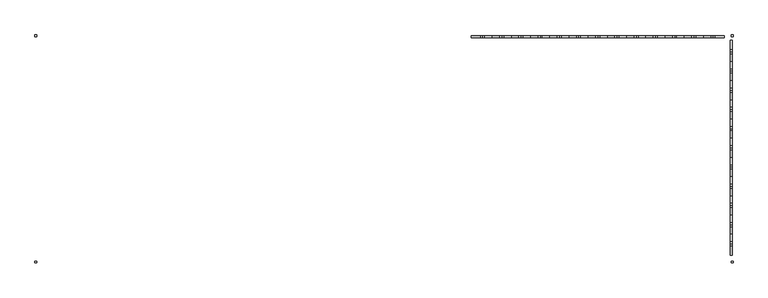
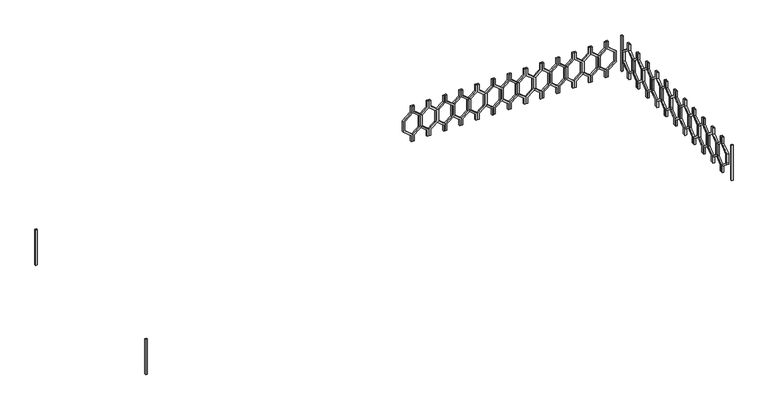
"""IFC4 building model written with IfcOpenShell, lengths in millimetres: railing geometry."""

import ifcopenshell
import ifcopenshell.guid

model = None  # the IFC model being written
_history = None  # IfcOwnerHistory: only IFC2X3 demands one
_inside = {}  # id of a spatial element -> (the spatial element, [elements in it])
_under = {}  # id of a project, library or spatial element -> (it, [spatial elements below it])
_declared = {}  # id of a project -> (the project, [libraries it declares])
_typed = {}  # id of a type object -> (the type object, [elements of that type])
_made_of = {}  # id of a material, layer set ... -> (it, [elements and type objects made of it])


def new_model(schema):
    """Start an empty IFC model of exactly this schema.

    Asked for "IFC4X3", IfcOpenShell would pick the latest addendum, in which some entities
    have other attributes; the version numbers below select the first issue.
    IFC2X3 requires an IfcOwnerHistory on every rooted entity: one is made here for all.
    """
    global model, _history
    if schema == "IFC4X3":
        model = ifcopenshell.file(schema_version=(4, 3, 0, 0))
    else:
        model = ifcopenshell.file(schema=schema)
    _inside.clear()
    _under.clear()
    _declared.clear()
    _typed.clear()
    _made_of.clear()
    _history = None
    if model.schema == "IFC2X3":
        org = make("IfcOrganization", Name="unknown")
        user = make(
            "IfcPersonAndOrganization",
            ThePerson=make("IfcPerson", FamilyName="unknown"),
            TheOrganization=org,
        )
        app = make(
            "IfcApplication",
            ApplicationDeveloper=org,
            Version="unknown",
            ApplicationFullName="unknown",
            ApplicationIdentifier="unknown",
        )
        _history = make(
            "IfcOwnerHistory",
            OwningUser=user,
            OwningApplication=app,
            ChangeAction="ADDED",
            CreationDate=0,
        )
    return model


def make(cls, **values):
    """One entity of the class cls with the attributes given. An attribute that is None is left unset."""
    return model.create_entity(
        cls, **{name: value for name, value in values.items() if value is not None}
    )


def rooted(cls, **values):
    """An entity with a GlobalId (a new one), such as an element, a storey or a relation."""
    return make(cls, GlobalId=ifcopenshell.guid.new(), OwnerHistory=_history, **values)


def si_unit(unit_type, name, prefix=None):
    """IfcSIUnit, for example si_unit("LENGTHUNIT", "METRE", prefix="MILLI")."""
    return make("IfcSIUnit", UnitType=unit_type, Prefix=prefix, Name=name)


def assignment(units):
    """IfcUnitAssignment: the units of a project."""
    return None if units is None else make("IfcUnitAssignment", Units=units)


def point(xyz):
    """IfcCartesianPoint."""
    return None if xyz is None else make("IfcCartesianPoint", Coordinates=xyz)


def direction(xyz):
    """IfcDirection."""
    return None if xyz is None else make("IfcDirection", DirectionRatios=xyz)


def frame(location, z_axis=None, x_axis=None):
    """IfcAxis2Placement3D, a coordinate frame: its origin and axes. An axis left out is left unset."""
    return make(
        "IfcAxis2Placement3D",
        Location=point(location),
        Axis=direction(z_axis),
        RefDirection=direction(x_axis),
    )


def origin():
    """The frame at (0, 0, 0) with its axes left unset."""
    return frame((0.0, 0.0, 0.0))


def place(relative_to, where):
    """IfcLocalPlacement: puts the frame where relative to a parent placement (None: the world)."""
    return make(
        "IfcLocalPlacement", PlacementRelTo=relative_to, RelativePlacement=where
    )


def context(
    kind, dimensions, precision=None, world=None, true_north=None, identifier=None
):
    """IfcGeometricRepresentationContext, for example the 3D "Model" context."""
    return make(
        "IfcGeometricRepresentationContext",
        ContextIdentifier=identifier,
        ContextType=kind,
        CoordinateSpaceDimension=dimensions,
        Precision=precision,
        WorldCoordinateSystem=world,
        TrueNorth=true_north,
    )


def project(units=None, contexts=None):
    """IfcProject with its units and contexts."""
    return rooted(
        "IfcProject",
        Name="project",
        RepresentationContexts=contexts,
        UnitsInContext=assignment(units),
    )


def spatial(cls, under=None, at=None, **own):
    """A site, building, storey or space (cls), placed at a placement, below another one or the project."""
    s = rooted(cls, ObjectPlacement=at, **own)
    if under is not None:
        _under.setdefault(under.id(), (under, []))[1].append(s)
    return s


def polyline(points):
    """IfcPolyline through the points."""
    return make("IfcPolyline", Points=[point(p) for p in points])


def outline(outer, holes=None, kind="AREA"):
    """IfcArbitraryClosedProfileDef: a profile drawn as a closed curve; with holes, ...WithVoids."""
    if holes is None:
        return make("IfcArbitraryClosedProfileDef", ProfileType=kind, OuterCurve=outer)
    return make(
        "IfcArbitraryProfileDefWithVoids",
        ProfileType=kind,
        OuterCurve=outer,
        InnerCurves=holes,
    )


def extrude(swept, where, along, depth):
    """IfcExtrudedAreaSolid: the profile swept, set in the frame where, extruded along a direction by depth."""
    return make(
        "IfcExtrudedAreaSolid",
        SweptArea=swept,
        Position=where,
        ExtrudedDirection=direction(along),
        Depth=depth,
    )


def shape(context_of_items, identifier, shape_type, items):
    """IfcShapeRepresentation: the items that make up one representation, for example the "Body"."""
    return make(
        "IfcShapeRepresentation",
        ContextOfItems=context_of_items,
        RepresentationIdentifier=identifier,
        RepresentationType=shape_type,
        Items=items,
    )


def source(mapping_origin, context_of_items, identifier, shape_type, items):
    """IfcRepresentationMap: a shape defined once, which mapped items show again and again."""
    return make(
        "IfcRepresentationMap",
        MappingOrigin=mapping_origin,
        MappedRepresentation=shape(context_of_items, identifier, shape_type, items),
    )


def transform(
    local_origin,
    x_axis=None,
    y_axis=None,
    z_axis=None,
    scale=None,
    scale2=None,
    scale3=None,
    uniform=True,
):
    """IfcCartesianTransformationOperator3D, or its non-uniform kind. x_axis, y_axis, z_axis: its Axis1, 2, 3."""
    if uniform:
        return make(
            "IfcCartesianTransformationOperator3D",
            Axis1=direction(x_axis),
            Axis2=direction(y_axis),
            LocalOrigin=point(local_origin),
            Scale=scale,
            Axis3=direction(z_axis),
        )
    return make(
        "IfcCartesianTransformationOperator3DnonUniform",
        Axis1=direction(x_axis),
        Axis2=direction(y_axis),
        LocalOrigin=point(local_origin),
        Scale=scale,
        Axis3=direction(z_axis),
        Scale2=scale2,
        Scale3=scale3,
    )


def mapped(mapping_source, mapping_target):
    """IfcMappedItem: shows the shape of a source again, moved by a transform."""
    return make(
        "IfcMappedItem", MappingSource=mapping_source, MappingTarget=mapping_target
    )


def made_of(thing, what):
    """Note that an element or type object is made of a material, layer set ...; save() writes the relation."""
    if what is not None:
        _made_of.setdefault(what.id(), (what, []))[1].append(thing)
    return thing


def element(
    cls,
    number,
    at=None,
    inside=None,
    cuts=None,
    type_object=None,
    material=None,
    context=None,
    identifier="Body",
    shape_type=None,
    held_by="IfcProductDefinitionShape",
    body=None,
    shapes=None,
    **own,
):
    """One element of the class cls, such as IfcWall. Its Tag is "e" and its number.

    at: its placement. inside: the storey or other place that contains it. cuts: it is an
    opening in that element (IfcRelVoidsElement). A single representation is given by context,
    identifier, shape_type and body (its items); several are given by shapes. held_by: the class
    of the entity that holds the representations. save() writes the other relations.
    """
    e = rooted(cls, Tag="e%d" % number, ObjectPlacement=at, **own)
    if body is not None:
        shapes = [shape(context, identifier, shape_type, body)]
    if shapes is not None:
        e.Representation = make(held_by, Representations=shapes)
    if inside is not None:
        _inside.setdefault(inside.id(), (inside, []))[1].append(e)
    if cuts is not None:
        rooted(
            "IfcRelVoidsElement", RelatingBuildingElement=cuts, RelatedOpeningElement=e
        )
    if type_object is not None:
        _typed.setdefault(type_object.id(), (type_object, []))[1].append(e)
    return made_of(e, material)


def aggregate(whole, parts):
    """IfcRelAggregates: a whole, such as a stair, and the parts it consists of."""
    return rooted("IfcRelAggregates", RelatingObject=whole, RelatedObjects=parts)


def save(model, path):
    """Write the relations noted so far, then the file.

    IfcRelAggregates (storeys below a building ...), IfcRelContainedInSpatialStructure (elements
    in a storey), IfcRelDefinesByType, IfcRelAssociatesMaterial and IfcRelDeclares: one each for
    every whole, place, type object, material and project.
    """
    for whole, parts in _under.values():
        aggregate(whole, parts)
    for where, things in _inside.values():
        rooted(
            "IfcRelContainedInSpatialStructure",
            RelatedElements=things,
            RelatingStructure=where,
        )
    for kind, things in _typed.values():
        rooted("IfcRelDefinesByType", RelatedObjects=things, RelatingType=kind)
    for what, things in _made_of.values():
        rooted("IfcRelAssociatesMaterial", RelatedObjects=things, RelatingMaterial=what)
    for by, libraries in _declared.values():
        rooted("IfcRelDeclares", RelatingContext=by, RelatedDefinitions=libraries)
    model.write(path)


def railing_3de77abf(model_context):
    return source(origin(), model_context, "Body", "SweptSolid", [
        extrude(outline(polyline([(28660.0, -43314.9887159), (28660.0, -43334.9887159), (28580.0, -43334.9887159), (28500.0, -43433.9836653), (28360.0, -43433.9836653), (28280.0, -43334.9887159), (28200.0, -43334.9887159), (28200.0, -43314.9887159), (28289.551845, -43314.9887159), (28369.551845, -43413.9836653), (28490.448155, -43413.9836653), (28570.448155, -43314.9887159), (28660.0, -43314.9887159)])), frame((0.0, 3248.1079487, 0.0), z_axis=(0.0, 1.0, 0.0), x_axis=(0.0, 0.0, 1.0)), (0.0, 0.0, 1.0), 20.0),
        extrude(outline(polyline([(28660.0, -43314.9887159), (28570.448155, -43314.9887159), (28490.448155, -43215.9937665), (28369.551845, -43215.9937665), (28289.551845, -43314.9887159), (28200.0, -43314.9887159), (28200.0, -43294.9887159), (28280.0, -43294.9887159), (28360.0, -43195.9937665), (28500.0, -43195.9937665), (28580.0, -43294.9887159), (28660.0, -43294.9887159), (28660.0, -43314.9887159)])), frame((0.0, 3248.1079487, 0.0), z_axis=(0.0, 1.0, 0.0), x_axis=(0.0, 0.0, 1.0)), (0.0, 0.0, 1.0), 20.0),
        extrude(outline(polyline([(28660.0, -43114.9887159), (28660.0, -43134.9887159), (28580.0, -43134.9887159), (28500.0, -43233.9836653), (28360.0, -43233.9836653), (28280.0, -43134.9887159), (28200.0, -43134.9887159), (28200.0, -43114.9887159), (28289.551845, -43114.9887159), (28369.551845, -43213.9836653), (28490.448155, -43213.9836653), (28570.448155, -43114.9887159), (28660.0, -43114.9887159)])), frame((0.0, 3248.1079487, 0.0), z_axis=(0.0, 1.0, 0.0), x_axis=(0.0, 0.0, 1.0)), (0.0, 0.0, 1.0), 20.0),
        extrude(outline(polyline([(28660.0, -43114.9887159), (28570.448155, -43114.9887159), (28490.448155, -43015.9937665), (28369.551845, -43015.9937665), (28289.551845, -43114.9887159), (28200.0, -43114.9887159), (28200.0, -43094.9887159), (28280.0, -43094.9887159), (28360.0, -42995.9937665), (28500.0, -42995.9937665), (28580.0, -43094.9887159), (28660.0, -43094.9887159), (28660.0, -43114.9887159)])), frame((0.0, 3248.1079487, 0.0), z_axis=(0.0, 1.0, 0.0), x_axis=(0.0, 0.0, 1.0)), (0.0, 0.0, 1.0), 20.0),
        extrude(outline(polyline([(28660.0, -42914.9887159), (28660.0, -42934.9887159), (28580.0, -42934.9887159), (28500.0, -43033.9836653), (28360.0, -43033.9836653), (28280.0, -42934.9887159), (28200.0, -42934.9887159), (28200.0, -42914.9887159), (28289.551845, -42914.9887159), (28369.551845, -43013.9836653), (28490.448155, -43013.9836653), (28570.448155, -42914.9887159), (28660.0, -42914.9887159)])), frame((0.0, 3248.1079487, 0.0), z_axis=(0.0, 1.0, 0.0), x_axis=(0.0, 0.0, 1.0)), (0.0, 0.0, 1.0), 20.0),
        extrude(outline(polyline([(28660.0, -42914.9887159), (28570.448155, -42914.9887159), (28490.448155, -42815.9937665), (28369.551845, -42815.9937665), (28289.551845, -42914.9887159), (28200.0, -42914.9887159), (28200.0, -42894.9887159), (28280.0, -42894.9887159), (28360.0, -42795.9937665), (28500.0, -42795.9937665), (28580.0, -42894.9887159), (28660.0, -42894.9887159), (28660.0, -42914.9887159)])), frame((0.0, 3248.1079487, 0.0), z_axis=(0.0, 1.0, 0.0), x_axis=(0.0, 0.0, 1.0)), (0.0, 0.0, 1.0), 20.0),
        extrude(outline(polyline([(28660.0, -42714.9887159), (28660.0, -42734.9887159), (28580.0, -42734.9887159), (28500.0, -42833.9836653), (28360.0, -42833.9836653), (28280.0, -42734.9887159), (28200.0, -42734.9887159), (28200.0, -42714.9887159), (28289.551845, -42714.9887159), (28369.551845, -42813.9836653), (28490.448155, -42813.9836653), (28570.448155, -42714.9887159), (28660.0, -42714.9887159)])), frame((0.0, 3248.1079487, 0.0), z_axis=(0.0, 1.0, 0.0), x_axis=(0.0, 0.0, 1.0)), (0.0, 0.0, 1.0), 20.0),
        extrude(outline(polyline([(28660.0, -42714.9887159), (28570.448155, -42714.9887159), (28490.448155, -42615.9937665), (28369.551845, -42615.9937665), (28289.551845, -42714.9887159), (28200.0, -42714.9887159), (28200.0, -42694.9887159), (28280.0, -42694.9887159), (28360.0, -42595.9937665), (28500.0, -42595.9937665), (28580.0, -42694.9887159), (28660.0, -42694.9887159), (28660.0, -42714.9887159)])), frame((0.0, 3248.1079487, 0.0), z_axis=(0.0, 1.0, 0.0), x_axis=(0.0, 0.0, 1.0)), (0.0, 0.0, 1.0), 20.0),
        extrude(outline(polyline([(28660.0, -42514.9887159), (28660.0, -42534.9887159), (28580.0, -42534.9887159), (28500.0, -42633.9836653), (28360.0, -42633.9836653), (28280.0, -42534.9887159), (28200.0, -42534.9887159), (28200.0, -42514.9887159), (28289.551845, -42514.9887159), (28369.551845, -42613.9836653), (28490.448155, -42613.9836653), (28570.448155, -42514.9887159), (28660.0, -42514.9887159)])), frame((0.0, 3248.1079487, 0.0), z_axis=(0.0, 1.0, 0.0), x_axis=(0.0, 0.0, 1.0)), (0.0, 0.0, 1.0), 20.0),
        extrude(outline(polyline([(28660.0, -42514.9887159), (28570.448155, -42514.9887159), (28490.448155, -42415.9937665), (28369.551845, -42415.9937665), (28289.551845, -42514.9887159), (28200.0, -42514.9887159), (28200.0, -42494.9887159), (28280.0, -42494.9887159), (28360.0, -42395.9937665), (28500.0, -42395.9937665), (28580.0, -42494.9887159), (28660.0, -42494.9887159), (28660.0, -42514.9887159)])), frame((0.0, 3248.1079487, 0.0), z_axis=(0.0, 1.0, 0.0), x_axis=(0.0, 0.0, 1.0)), (0.0, 0.0, 1.0), 20.0),
        extrude(outline(polyline([(28660.0, -42314.9887159), (28660.0, -42334.9887159), (28580.0, -42334.9887159), (28500.0, -42433.9836653), (28360.0, -42433.9836653), (28280.0, -42334.9887159), (28200.0, -42334.9887159), (28200.0, -42314.9887159), (28289.551845, -42314.9887159), (28369.551845, -42413.9836653), (28490.448155, -42413.9836653), (28570.448155, -42314.9887159), (28660.0, -42314.9887159)])), frame((0.0, 3248.1079487, 0.0), z_axis=(0.0, 1.0, 0.0), x_axis=(0.0, 0.0, 1.0)), (0.0, 0.0, 1.0), 20.0),
        extrude(outline(polyline([(28660.0, -42314.9887159), (28570.448155, -42314.9887159), (28490.448155, -42215.9937665), (28369.551845, -42215.9937665), (28289.551845, -42314.9887159), (28200.0, -42314.9887159), (28200.0, -42294.9887159), (28280.0, -42294.9887159), (28360.0, -42195.9937665), (28500.0, -42195.9937665), (28580.0, -42294.9887159), (28660.0, -42294.9887159), (28660.0, -42314.9887159)])), frame((0.0, 3248.1079487, 0.0), z_axis=(0.0, 1.0, 0.0), x_axis=(0.0, 0.0, 1.0)), (0.0, 0.0, 1.0), 20.0),
        extrude(outline(polyline([(28660.0, -42114.9887159), (28660.0, -42134.9887159), (28580.0, -42134.9887159), (28500.0, -42233.9836653), (28360.0, -42233.9836653), (28280.0, -42134.9887159), (28200.0, -42134.9887159), (28200.0, -42114.9887159), (28289.551845, -42114.9887159), (28369.551845, -42213.9836653), (28490.448155, -42213.9836653), (28570.448155, -42114.9887159), (28660.0, -42114.9887159)])), frame((0.0, 3248.1079487, 0.0), z_axis=(0.0, 1.0, 0.0), x_axis=(0.0, 0.0, 1.0)), (0.0, 0.0, 1.0), 20.0),
        extrude(outline(polyline([(28660.0, -42114.9887159), (28570.448155, -42114.9887159), (28490.448155, -42015.9937665), (28369.551845, -42015.9937665), (28289.551845, -42114.9887159), (28200.0, -42114.9887159), (28200.0, -42094.9887159), (28280.0, -42094.9887159), (28360.0, -41995.9937665), (28500.0, -41995.9937665), (28580.0, -42094.9887159), (28660.0, -42094.9887159), (28660.0, -42114.9887159)])), frame((0.0, 3248.1079487, 0.0), z_axis=(0.0, 1.0, 0.0), x_axis=(0.0, 0.0, 1.0)), (0.0, 0.0, 1.0), 20.0),
        extrude(outline(polyline([(28660.0, -41914.9887159), (28660.0, -41934.9887159), (28580.0, -41934.9887159), (28500.0, -42033.9836653), (28360.0, -42033.9836653), (28280.0, -41934.9887159), (28200.0, -41934.9887159), (28200.0, -41914.9887159), (28289.551845, -41914.9887159), (28369.551845, -42013.9836653), (28490.448155, -42013.9836653), (28570.448155, -41914.9887159), (28660.0, -41914.9887159)])), frame((0.0, 3248.1079487, 0.0), z_axis=(0.0, 1.0, 0.0), x_axis=(0.0, 0.0, 1.0)), (0.0, 0.0, 1.0), 20.0),
        extrude(outline(polyline([(28660.0, -41914.9887159), (28570.448155, -41914.9887159), (28490.448155, -41815.9937665), (28369.551845, -41815.9937665), (28289.551845, -41914.9887159), (28200.0, -41914.9887159), (28200.0, -41894.9887159), (28280.0, -41894.9887159), (28360.0, -41795.9937665), (28500.0, -41795.9937665), (28580.0, -41894.9887159), (28660.0, -41894.9887159), (28660.0, -41914.9887159)])), frame((0.0, 3248.1079487, 0.0), z_axis=(0.0, 1.0, 0.0), x_axis=(0.0, 0.0, 1.0)), (0.0, 0.0, 1.0), 20.0),
        extrude(outline(polyline([(28660.0, -41714.9887159), (28660.0, -41734.9887159), (28580.0, -41734.9887159), (28500.0, -41833.9836653), (28360.0, -41833.9836653), (28280.0, -41734.9887159), (28200.0, -41734.9887159), (28200.0, -41714.9887159), (28289.551845, -41714.9887159), (28369.551845, -41813.9836653), (28490.448155, -41813.9836653), (28570.448155, -41714.9887159), (28660.0, -41714.9887159)])), frame((0.0, 3248.1079487, 0.0), z_axis=(0.0, 1.0, 0.0), x_axis=(0.0, 0.0, 1.0)), (0.0, 0.0, 1.0), 20.0),
        extrude(outline(polyline([(28660.0, -41714.9887159), (28570.448155, -41714.9887159), (28490.448155, -41615.9937665), (28369.551845, -41615.9937665), (28289.551845, -41714.9887159), (28200.0, -41714.9887159), (28200.0, -41694.9887159), (28280.0, -41694.9887159), (28360.0, -41595.9937665), (28500.0, -41595.9937665), (28580.0, -41694.9887159), (28660.0, -41694.9887159), (28660.0, -41714.9887159)])), frame((0.0, 3248.1079487, 0.0), z_axis=(0.0, 1.0, 0.0), x_axis=(0.0, 0.0, 1.0)), (0.0, 0.0, 1.0), 20.0),
        extrude(outline(polyline([(28660.0, -41514.9887159), (28660.0, -41534.9887159), (28580.0, -41534.9887159), (28500.0, -41633.9836653), (28360.0, -41633.9836653), (28280.0, -41534.9887159), (28200.0, -41534.9887159), (28200.0, -41514.9887159), (28289.551845, -41514.9887159), (28369.551845, -41613.9836653), (28490.448155, -41613.9836653), (28570.448155, -41514.9887159), (28660.0, -41514.9887159)])), frame((0.0, 3248.1079487, 0.0), z_axis=(0.0, 1.0, 0.0), x_axis=(0.0, 0.0, 1.0)), (0.0, 0.0, 1.0), 20.0),
        extrude(outline(polyline([(28660.0, -41514.9887159), (28570.448155, -41514.9887159), (28490.448155, -41415.9937665), (28369.551845, -41415.9937665), (28289.551845, -41514.9887159), (28200.0, -41514.9887159), (28200.0, -41494.9887159), (28280.0, -41494.9887159), (28360.0, -41395.9937665), (28500.0, -41395.9937665), (28580.0, -41494.9887159), (28660.0, -41494.9887159), (28660.0, -41514.9887159)])), frame((0.0, 3248.1079487, 0.0), z_axis=(0.0, 1.0, 0.0), x_axis=(0.0, 0.0, 1.0)), (0.0, 0.0, 1.0), 20.0),
        extrude(outline(polyline([(28660.0, -41314.9887159), (28660.0, -41334.9887159), (28580.0, -41334.9887159), (28500.0, -41433.9836653), (28360.0, -41433.9836653), (28280.0, -41334.9887159), (28200.0, -41334.9887159), (28200.0, -41314.9887159), (28289.551845, -41314.9887159), (28369.551845, -41413.9836653), (28490.448155, -41413.9836653), (28570.448155, -41314.9887159), (28660.0, -41314.9887159)])), frame((0.0, 3248.1079487, 0.0), z_axis=(0.0, 1.0, 0.0), x_axis=(0.0, 0.0, 1.0)), (0.0, 0.0, 1.0), 20.0),
        extrude(outline(polyline([(28660.0, -41314.9887159), (28570.448155, -41314.9887159), (28490.448155, -41215.9937665), (28369.551845, -41215.9937665), (28289.551845, -41314.9887159), (28200.0, -41314.9887159), (28200.0, -41294.9887159), (28280.0, -41294.9887159), (28360.0, -41195.9937665), (28500.0, -41195.9937665), (28580.0, -41294.9887159), (28660.0, -41294.9887159), (28660.0, -41314.9887159)])), frame((0.0, 3248.1079487, 0.0), z_axis=(0.0, 1.0, 0.0), x_axis=(0.0, 0.0, 1.0)), (0.0, 0.0, 1.0), 20.0),
        extrude(outline(polyline([(28660.0, -41114.9887159), (28660.0, -41134.9887159), (28580.0, -41134.9887159), (28500.0, -41233.9836653), (28360.0, -41233.9836653), (28280.0, -41134.9887159), (28200.0, -41134.9887159), (28200.0, -41114.9887159), (28289.551845, -41114.9887159), (28369.551845, -41213.9836653), (28490.448155, -41213.9836653), (28570.448155, -41114.9887159), (28660.0, -41114.9887159)])), frame((0.0, 3248.1079487, 0.0), z_axis=(0.0, 1.0, 0.0), x_axis=(0.0, 0.0, 1.0)), (0.0, 0.0, 1.0), 20.0),
        extrude(outline(polyline([(28660.0, -41114.9887159), (28570.448155, -41114.9887159), (28490.448155, -41015.9937665), (28369.551845, -41015.9937665), (28289.551845, -41114.9887159), (28200.0, -41114.9887159), (28200.0, -41094.9887159), (28280.0, -41094.9887159), (28360.0, -40995.9937665), (28500.0, -40995.9937665), (28580.0, -41094.9887159), (28660.0, -41094.9887159), (28660.0, -41114.9887159)])), frame((0.0, 3248.1079487, 0.0), z_axis=(0.0, 1.0, 0.0), x_axis=(0.0, 0.0, 1.0)), (0.0, 0.0, 1.0), 20.0),
        extrude(outline(polyline([(28660.0, -40914.9887159), (28660.0, -40934.9887159), (28580.0, -40934.9887159), (28500.0, -41033.9836653), (28360.0, -41033.9836653), (28280.0, -40934.9887159), (28200.0, -40934.9887159), (28200.0, -40914.9887159), (28289.551845, -40914.9887159), (28369.551845, -41013.9836653), (28490.448155, -41013.9836653), (28570.448155, -40914.9887159), (28660.0, -40914.9887159)])), frame((0.0, 3248.1079487, 0.0), z_axis=(0.0, 1.0, 0.0), x_axis=(0.0, 0.0, 1.0)), (0.0, 0.0, 1.0), 20.0),
        extrude(outline(polyline([(28660.0, -40914.9887159), (28570.448155, -40914.9887159), (28490.448155, -40815.9937665), (28369.551845, -40815.9937665), (28289.551845, -40914.9887159), (28200.0, -40914.9887159), (28200.0, -40894.9887159), (28280.0, -40894.9887159), (28360.0, -40795.9937665), (28500.0, -40795.9937665), (28580.0, -40894.9887159), (28660.0, -40894.9887159), (28660.0, -40914.9887159)])), frame((0.0, 3248.1079487, 0.0), z_axis=(0.0, 1.0, 0.0), x_axis=(0.0, 0.0, 1.0)), (0.0, 0.0, 1.0), 20.0),
        extrude(outline(polyline([(3103.1079487, 28660.0), (3123.1079487, 28660.0), (3123.1079487, 28580.0), (3222.102898, 28500.0), (3222.102898, 28360.0), (3123.1079487, 28280.0), (3123.1079487, 28200.0), (3103.1079487, 28200.0), (3103.1079487, 28289.551845), (3202.102898, 28369.551845), (3202.102898, 28490.448155), (3103.1079487, 28570.448155), (3103.1079487, 28660.0)])), frame((-40734.9887159, 0.0, 0.0), z_axis=(1.0, 0.0, 0.0), x_axis=(0.0, 1.0, 0.0)), (0.0, 0.0, 1.0), 20.0),
        extrude(outline(polyline([(3103.1079487, 28660.0), (3103.1079487, 28570.448155), (3004.1129993, 28490.448155), (3004.1129993, 28369.551845), (3103.1079487, 28289.551845), (3103.1079487, 28200.0), (3083.1079487, 28200.0), (3083.1079487, 28280.0), (2984.1129993, 28360.0), (2984.1129993, 28500.0), (3083.1079487, 28580.0), (3083.1079487, 28660.0), (3103.1079487, 28660.0)])), frame((-40734.9887159, 0.0, 0.0), z_axis=(1.0, 0.0, 0.0), x_axis=(0.0, 1.0, 0.0)), (0.0, 0.0, 1.0), 20.0),
        extrude(outline(polyline([(2903.1079487, 28660.0), (2923.1079487, 28660.0), (2923.1079487, 28580.0), (3022.102898, 28500.0), (3022.102898, 28360.0), (2923.1079487, 28280.0), (2923.1079487, 28200.0), (2903.1079487, 28200.0), (2903.1079487, 28289.551845), (3002.102898, 28369.551845), (3002.102898, 28490.448155), (2903.1079487, 28570.448155), (2903.1079487, 28660.0)])), frame((-40734.9887159, 0.0, 0.0), z_axis=(1.0, 0.0, 0.0), x_axis=(0.0, 1.0, 0.0)), (0.0, 0.0, 1.0), 20.0),
        extrude(outline(polyline([(2903.1079487, 28660.0), (2903.1079487, 28570.448155), (2804.1129993, 28490.448155), (2804.1129993, 28369.551845), (2903.1079487, 28289.551845), (2903.1079487, 28200.0), (2883.1079487, 28200.0), (2883.1079487, 28280.0), (2784.1129993, 28360.0), (2784.1129993, 28500.0), (2883.1079487, 28580.0), (2883.1079487, 28660.0), (2903.1079487, 28660.0)])), frame((-40734.9887159, 0.0, 0.0), z_axis=(1.0, 0.0, 0.0), x_axis=(0.0, 1.0, 0.0)), (0.0, 0.0, 1.0), 20.0),
        extrude(outline(polyline([(2703.1079487, 28660.0), (2723.1079487, 28660.0), (2723.1079487, 28580.0), (2822.102898, 28500.0), (2822.102898, 28360.0), (2723.1079487, 28280.0), (2723.1079487, 28200.0), (2703.1079487, 28200.0), (2703.1079487, 28289.551845), (2802.102898, 28369.551845), (2802.102898, 28490.448155), (2703.1079487, 28570.448155), (2703.1079487, 28660.0)])), frame((-40734.9887159, 0.0, 0.0), z_axis=(1.0, 0.0, 0.0), x_axis=(0.0, 1.0, 0.0)), (0.0, 0.0, 1.0), 20.0),
        extrude(outline(polyline([(2703.1079487, 28660.0), (2703.1079487, 28570.448155), (2604.1129993, 28490.448155), (2604.1129993, 28369.551845), (2703.1079487, 28289.551845), (2703.1079487, 28200.0), (2683.1079487, 28200.0), (2683.1079487, 28280.0), (2584.1129993, 28360.0), (2584.1129993, 28500.0), (2683.1079487, 28580.0), (2683.1079487, 28660.0), (2703.1079487, 28660.0)])), frame((-40734.9887159, 0.0, 0.0), z_axis=(1.0, 0.0, 0.0), x_axis=(0.0, 1.0, 0.0)), (0.0, 0.0, 1.0), 20.0),
        extrude(outline(polyline([(2503.1079487, 28660.0), (2523.1079487, 28660.0), (2523.1079487, 28580.0), (2622.102898, 28500.0), (2622.102898, 28360.0), (2523.1079487, 28280.0), (2523.1079487, 28200.0), (2503.1079487, 28200.0), (2503.1079487, 28289.551845), (2602.102898, 28369.551845), (2602.102898, 28490.448155), (2503.1079487, 28570.448155), (2503.1079487, 28660.0)])), frame((-40734.9887159, 0.0, 0.0), z_axis=(1.0, 0.0, 0.0), x_axis=(0.0, 1.0, 0.0)), (0.0, 0.0, 1.0), 20.0),
        extrude(outline(polyline([(2503.1079487, 28660.0), (2503.1079487, 28570.448155), (2404.1129993, 28490.448155), (2404.1129993, 28369.551845), (2503.1079487, 28289.551845), (2503.1079487, 28200.0), (2483.1079487, 28200.0), (2483.1079487, 28280.0), (2384.1129993, 28360.0), (2384.1129993, 28500.0), (2483.1079487, 28580.0), (2483.1079487, 28660.0), (2503.1079487, 28660.0)])), frame((-40734.9887159, 0.0, 0.0), z_axis=(1.0, 0.0, 0.0), x_axis=(0.0, 1.0, 0.0)), (0.0, 0.0, 1.0), 20.0),
        extrude(outline(polyline([(2303.1079487, 28660.0), (2323.1079487, 28660.0), (2323.1079487, 28580.0), (2422.102898, 28500.0), (2422.102898, 28360.0), (2323.1079487, 28280.0), (2323.1079487, 28200.0), (2303.1079487, 28200.0), (2303.1079487, 28289.551845), (2402.102898, 28369.551845), (2402.102898, 28490.448155), (2303.1079487, 28570.448155), (2303.1079487, 28660.0)])), frame((-40734.9887159, 0.0, 0.0), z_axis=(1.0, 0.0, 0.0), x_axis=(0.0, 1.0, 0.0)), (0.0, 0.0, 1.0), 20.0),
        extrude(outline(polyline([(2303.1079487, 28660.0), (2303.1079487, 28570.448155), (2204.1129993, 28490.448155), (2204.1129993, 28369.551845), (2303.1079487, 28289.551845), (2303.1079487, 28200.0), (2283.1079487, 28200.0), (2283.1079487, 28280.0), (2184.1129993, 28360.0), (2184.1129993, 28500.0), (2283.1079487, 28580.0), (2283.1079487, 28660.0), (2303.1079487, 28660.0)])), frame((-40734.9887159, 0.0, 0.0), z_axis=(1.0, 0.0, 0.0), x_axis=(0.0, 1.0, 0.0)), (0.0, 0.0, 1.0), 20.0),
        extrude(outline(polyline([(2103.1079487, 28660.0), (2123.1079487, 28660.0), (2123.1079487, 28580.0), (2222.102898, 28500.0), (2222.102898, 28360.0), (2123.1079487, 28280.0), (2123.1079487, 28200.0), (2103.1079487, 28200.0), (2103.1079487, 28289.551845), (2202.102898, 28369.551845), (2202.102898, 28490.448155), (2103.1079487, 28570.448155), (2103.1079487, 28660.0)])), frame((-40734.9887159, 0.0, 0.0), z_axis=(1.0, 0.0, 0.0), x_axis=(0.0, 1.0, 0.0)), (0.0, 0.0, 1.0), 20.0),
        extrude(outline(polyline([(2103.1079487, 28660.0), (2103.1079487, 28570.448155), (2004.1129993, 28490.448155), (2004.1129993, 28369.551845), (2103.1079487, 28289.551845), (2103.1079487, 28200.0), (2083.1079487, 28200.0), (2083.1079487, 28280.0), (1984.1129993, 28360.0), (1984.1129993, 28500.0), (2083.1079487, 28580.0), (2083.1079487, 28660.0), (2103.1079487, 28660.0)])), frame((-40734.9887159, 0.0, 0.0), z_axis=(1.0, 0.0, 0.0), x_axis=(0.0, 1.0, 0.0)), (0.0, 0.0, 1.0), 20.0),
        extrude(outline(polyline([(1903.1079487, 28660.0), (1923.1079487, 28660.0), (1923.1079487, 28580.0), (2022.102898, 28500.0), (2022.102898, 28360.0), (1923.1079487, 28280.0), (1923.1079487, 28200.0), (1903.1079487, 28200.0), (1903.1079487, 28289.551845), (2002.102898, 28369.551845), (2002.102898, 28490.448155), (1903.1079487, 28570.448155), (1903.1079487, 28660.0)])), frame((-40734.9887159, 0.0, 0.0), z_axis=(1.0, 0.0, 0.0), x_axis=(0.0, 1.0, 0.0)), (0.0, 0.0, 1.0), 20.0),
        extrude(outline(polyline([(1903.1079487, 28660.0), (1903.1079487, 28570.448155), (1804.1129993, 28490.448155), (1804.1129993, 28369.551845), (1903.1079487, 28289.551845), (1903.1079487, 28200.0), (1883.1079487, 28200.0), (1883.1079487, 28280.0), (1784.1129993, 28360.0), (1784.1129993, 28500.0), (1883.1079487, 28580.0), (1883.1079487, 28660.0), (1903.1079487, 28660.0)])), frame((-40734.9887159, 0.0, 0.0), z_axis=(1.0, 0.0, 0.0), x_axis=(0.0, 1.0, 0.0)), (0.0, 0.0, 1.0), 20.0),
        extrude(outline(polyline([(1703.1079487, 28660.0), (1723.1079487, 28660.0), (1723.1079487, 28580.0), (1822.102898, 28500.0), (1822.102898, 28360.0), (1723.1079487, 28280.0), (1723.1079487, 28200.0), (1703.1079487, 28200.0), (1703.1079487, 28289.551845), (1802.102898, 28369.551845), (1802.102898, 28490.448155), (1703.1079487, 28570.448155), (1703.1079487, 28660.0)])), frame((-40734.9887159, 0.0, 0.0), z_axis=(1.0, 0.0, 0.0), x_axis=(0.0, 1.0, 0.0)), (0.0, 0.0, 1.0), 20.0),
        extrude(outline(polyline([(1703.1079487, 28660.0), (1703.1079487, 28570.448155), (1604.1129993, 28490.448155), (1604.1129993, 28369.551845), (1703.1079487, 28289.551845), (1703.1079487, 28200.0), (1683.1079487, 28200.0), (1683.1079487, 28280.0), (1584.1129993, 28360.0), (1584.1129993, 28500.0), (1683.1079487, 28580.0), (1683.1079487, 28660.0), (1703.1079487, 28660.0)])), frame((-40734.9887159, 0.0, 0.0), z_axis=(1.0, 0.0, 0.0), x_axis=(0.0, 1.0, 0.0)), (0.0, 0.0, 1.0), 20.0),
        extrude(outline(polyline([(1503.1079487, 28660.0), (1523.1079487, 28660.0), (1523.1079487, 28580.0), (1622.102898, 28500.0), (1622.102898, 28360.0), (1523.1079487, 28280.0), (1523.1079487, 28200.0), (1503.1079487, 28200.0), (1503.1079487, 28289.551845), (1602.102898, 28369.551845), (1602.102898, 28490.448155), (1503.1079487, 28570.448155), (1503.1079487, 28660.0)])), frame((-40734.9887159, 0.0, 0.0), z_axis=(1.0, 0.0, 0.0), x_axis=(0.0, 1.0, 0.0)), (0.0, 0.0, 1.0), 20.0),
        extrude(outline(polyline([(1503.1079487, 28660.0), (1503.1079487, 28570.448155), (1404.1129993, 28490.448155), (1404.1129993, 28369.551845), (1503.1079487, 28289.551845), (1503.1079487, 28200.0), (1483.1079487, 28200.0), (1483.1079487, 28280.0), (1384.1129993, 28360.0), (1384.1129993, 28500.0), (1483.1079487, 28580.0), (1483.1079487, 28660.0), (1503.1079487, 28660.0)])), frame((-40734.9887159, 0.0, 0.0), z_axis=(1.0, 0.0, 0.0), x_axis=(0.0, 1.0, 0.0)), (0.0, 0.0, 1.0), 20.0),
        extrude(outline(polyline([(1303.1079487, 28660.0), (1323.1079487, 28660.0), (1323.1079487, 28580.0), (1422.102898, 28500.0), (1422.102898, 28360.0), (1323.1079487, 28280.0), (1323.1079487, 28200.0), (1303.1079487, 28200.0), (1303.1079487, 28289.551845), (1402.102898, 28369.551845), (1402.102898, 28490.448155), (1303.1079487, 28570.448155), (1303.1079487, 28660.0)])), frame((-40734.9887159, 0.0, 0.0), z_axis=(1.0, 0.0, 0.0), x_axis=(0.0, 1.0, 0.0)), (0.0, 0.0, 1.0), 20.0),
        extrude(outline(polyline([(1303.1079487, 28660.0), (1303.1079487, 28570.448155), (1204.1129993, 28490.448155), (1204.1129993, 28369.551845), (1303.1079487, 28289.551845), (1303.1079487, 28200.0), (1283.1079487, 28200.0), (1283.1079487, 28280.0), (1184.1129993, 28360.0), (1184.1129993, 28500.0), (1283.1079487, 28580.0), (1283.1079487, 28660.0), (1303.1079487, 28660.0)])), frame((-40734.9887159, 0.0, 0.0), z_axis=(1.0, 0.0, 0.0), x_axis=(0.0, 1.0, 0.0)), (0.0, 0.0, 1.0), 20.0),
        extrude(outline(polyline([(1103.1079487, 28660.0), (1123.1079487, 28660.0), (1123.1079487, 28580.0), (1222.102898, 28500.0), (1222.102898, 28360.0), (1123.1079487, 28280.0), (1123.1079487, 28200.0), (1103.1079487, 28200.0), (1103.1079487, 28289.551845), (1202.102898, 28369.551845), (1202.102898, 28490.448155), (1103.1079487, 28570.448155), (1103.1079487, 28660.0)])), frame((-40734.9887159, 0.0, 0.0), z_axis=(1.0, 0.0, 0.0), x_axis=(0.0, 1.0, 0.0)), (0.0, 0.0, 1.0), 20.0),
        extrude(outline(polyline([(1103.1079487, 28660.0), (1103.1079487, 28570.448155), (1004.1129993, 28490.448155), (1004.1129993, 28369.551845), (1103.1079487, 28289.551845), (1103.1079487, 28200.0), (1083.1079487, 28200.0), (1083.1079487, 28280.0), (984.1129993, 28360.0), (984.1129993, 28500.0), (1083.1079487, 28580.0), (1083.1079487, 28660.0), (1103.1079487, 28660.0)])), frame((-40734.9887159, 0.0, 0.0), z_axis=(1.0, 0.0, 0.0), x_axis=(0.0, 1.0, 0.0)), (0.0, 0.0, 1.0), 20.0),
        extrude(outline(polyline([(-47954.9887159, 3278.1079487), (-47954.9887159, 3258.1079487), (-47974.9887159, 3258.1079487), (-47974.9887159, 3278.1079487), (-47954.9887159, 3278.1079487)])), frame((0.0, 0.0, 28200.0), z_axis=(0.0, 0.0, 1.0), x_axis=(1.0, 0.0, 0.0)), (0.0, 0.0, 1.0), 460.0),
        extrude(outline(polyline([(-40704.9887159, 3258.1079487), (-40724.9887159, 3258.1079487), (-40724.9887159, 3278.1079487), (-40704.9887159, 3278.1079487), (-40704.9887159, 3258.1079487)])), frame((0.0, 0.0, 28200.0), z_axis=(0.0, 0.0, 1.0), x_axis=(1.0, 0.0, 0.0)), (0.0, 0.0, 1.0), 460.0),
        extrude(outline(polyline([(-47974.9887159, 923.1079487), (-47954.9887159, 923.1079487), (-47954.9887159, 903.1079487), (-47974.9887159, 903.1079487), (-47974.9887159, 923.1079487)])), frame((0.0, 0.0, 28200.0), z_axis=(0.0, 0.0, 1.0), x_axis=(1.0, 0.0, 0.0)), (0.0, 0.0, 1.0), 460.0),
        extrude(outline(polyline([(-40704.9887159, 903.1079487), (-40724.9887159, 903.1079487), (-40724.9887159, 923.1079487), (-40704.9887159, 923.1079487), (-40704.9887159, 903.1079487)])), frame((0.0, 0.0, 28200.0), z_axis=(0.0, 0.0, 1.0), x_axis=(1.0, 0.0, 0.0)), (0.0, 0.0, 1.0), 460.0),
    ])


if __name__ == "__main__":
    model = new_model("IFC4")
    model_context = context("Model", 3, world=origin())
    ifc_project = project(units=[si_unit("LENGTHUNIT", "METRE", prefix="MILLI")], contexts=[model_context])
    site = spatial("IfcSite", under=ifc_project)
    building = spatial("IfcBuilding", under=site)
    placement = place(None, origin())
    railing_shape = railing_3de77abf(model_context)
    element("IfcRailing", 1, at=placement, inside=building, context=model_context, shape_type="MappedRepresentation", body=[
        mapped(railing_shape, transform((0.0, 0.0, 0.0), x_axis=(1.0, 0.0, 0.0), y_axis=(0.0, 1.0, 0.0), z_axis=(0.0, 0.0, 1.0))),
    ])
    save(model, "model.ifc")
